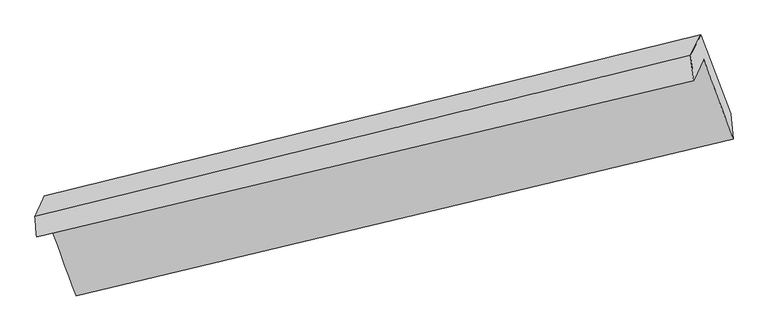
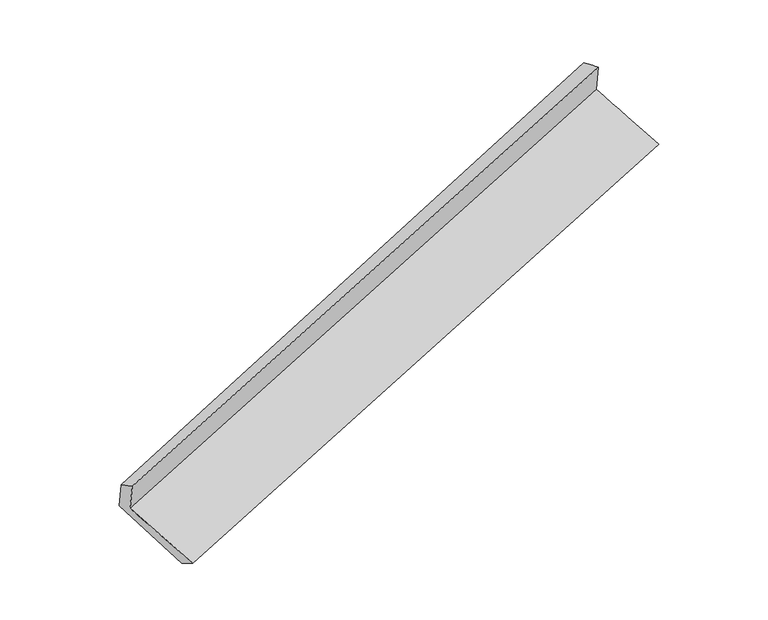
"""IFC4 building model written with IfcOpenShell, lengths in millimetres: proxy geometry."""

from ifc_helpers import new_model, si_unit, frame, origin, place, context, project, spatial, source, transform, mapped, element, save
from ifc_brep_helpers import plane_surface, spline_surface, advanced_brep


def generic_models_062efe9b(model_context):
    return source(origin(), model_context, "Body", "AdvancedBrep", [
        advanced_brep(
        [(-5353.7142561, -1920.8578502, 1134.205898), (-5131.6104314, -2522.4173822, 894.1924004), (-230.4100691, -1350.691247, 2489.3817019), (-450.5241772, -753.4596023, 2727.7541886), (-5427.2703033, -2082.104754, 1470.2808828), (-524.1838571, -914.9336861, 3064.3026677), (-5439.2201288, -1930.4776046, 1398.3024083), (-548.6465957, -723.3249088, 3001.7977245), (-5369.4634678, -1777.5595777, 1079.5866852), (-470.4515877, -572.8344296, 2659.3982315), (-5137.6392072, -2357.8103216, 795.1608582), (-249.0970809, -1162.171846, 2411.6807846)],
        [
            (0, 1),
            (1, 2),
            (2, 3),
            (3, 0),
            (4, 0),
            (3, 5),
            (5, 4),
            (6, 4),
            (5, 7),
            (7, 6),
            (8, 6),
            (7, 9),
            (9, 8),
            (10, 8),
            (9, 11),
            (11, 10),
            (1, 10),
            (11, 2),
        ],
        [
            spline_surface(1, 1, [[(-5353.7142561, -1920.8578502, 1134.205898), (-450.5241772, -753.4596023, 2727.7541886)], [(-5131.6104314, -2522.4173822, 894.1924004), (-230.4100691, -1350.691247, 2489.3817019)]], [2, 2], [2, 2], [0.0, 1.0], [0.0, 1.0]),
            plane_surface(frame((-5390.4922797, -2001.4813021, 1302.2433904), z_axis=(0.32328615663466365, -0.8788359944523959, -0.3509036274866022), x_axis=(0.19359706987857198, 0.42439648782392175, -0.884538182136391))),
            spline_surface(1, 1, [[(-5439.2201288, -1930.4776046, 1398.3024083), (-548.6465957, -723.3249088, 3001.7977245)], [(-5427.2703033, -2082.104754, 1470.2808828), (-524.1838571, -914.9336861, 3064.3026677)]], [2, 2], [2, 2], [0.0, 1.0], [0.0, 1.0]),
            spline_surface(1, 1, [[(-5369.4634678, -1777.5595777, 1079.5866852), (-470.4515877, -572.8344296, 2659.3982315)], [(-5439.2201288, -1930.4776046, 1398.3024083), (-548.6465957, -723.3249088, 3001.7977245)]], [2, 2], [2, 2], [0.0, 1.0], [0.0, 1.0]),
            spline_surface(1, 1, [[(-5137.6392072, -2357.8103216, 795.1608582), (-249.0970809, -1162.171846, 2411.6807846)], [(-5369.4634678, -1777.5595777, 1079.5866852), (-470.4515877, -572.8344296, 2659.3982315)]], [2, 2], [2, 2], [0.0, 1.0], [0.0, 1.0]),
            spline_surface(1, 1, [[(-5131.6104314, -2522.4173822, 894.1924004), (-230.4100691, -1350.691247, 2489.3817019)], [(-5137.6392072, -2357.8103216, 795.1608582), (-249.0970809, -1162.171846, 2411.6807846)]], [2, 2], [2, 2], [0.0, 1.0], [0.0, 1.0]),
            plane_surface(frame((-412.2188946, -912.90262, 2725.7192165), z_axis=(0.9260884805664893, 0.21856217681157453, 0.3075560128325202), x_axis=(-0.20464621019566967, -0.3938525876260507, 0.8961027105599078))),
            plane_surface(frame((-5309.8196324, -2098.5379151, 1128.6215221), z_axis=(-0.9259029001164543, -0.21906526119109154, -0.30775677229789455), x_axis=(-0.3243824811704534, 0.878577277455983, 0.35053954619662125))),
        ],
        [
            (0, [[1, 2, 3, 4]]),
            (1, [[5, -4, 6, 7]]),
            (2, [[8, -7, 9, 10]]),
            (3, [[11, -10, 12, 13]]),
            (4, [[14, -13, 15, 16]]),
            (5, [[17, -16, 18, -2]]),
            (6, [[-12, -9, -6, -3, -18, -15]]),
            (7, [[-1, -5, -8, -11, -14, -17]]),
        ],
    ),
    ])


if __name__ == "__main__":
    model = new_model("IFC4")
    model_context = context("Model", 3, world=origin())
    ifc_project = project(units=[si_unit("LENGTHUNIT", "METRE", prefix="MILLI")], contexts=[model_context])
    site = spatial("IfcSite", under=ifc_project)
    building = spatial("IfcBuilding", under=site)
    placement = place(None, origin())
    generic_models_shape = generic_models_062efe9b(model_context)
    element("IfcBuildingElementProxy", 1, Name="Generic Models", at=placement, inside=building, context=model_context, shape_type="MappedRepresentation", body=[
        mapped(generic_models_shape, transform((0.0, 0.0, 0.0), x_axis=(1.0, 0.0, 0.0), y_axis=(0.0, 1.0, 0.0), z_axis=(0.0, 0.0, 1.0))),
    ])
    save(model, "model.ifc")
